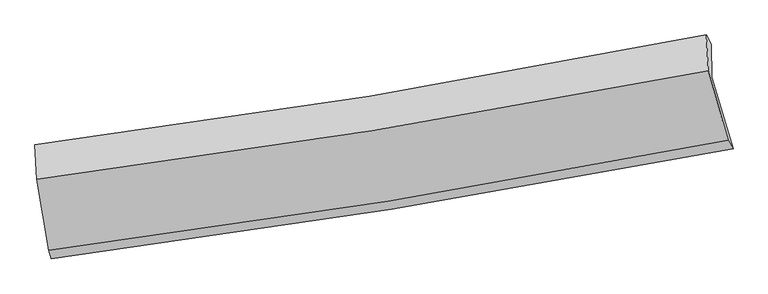
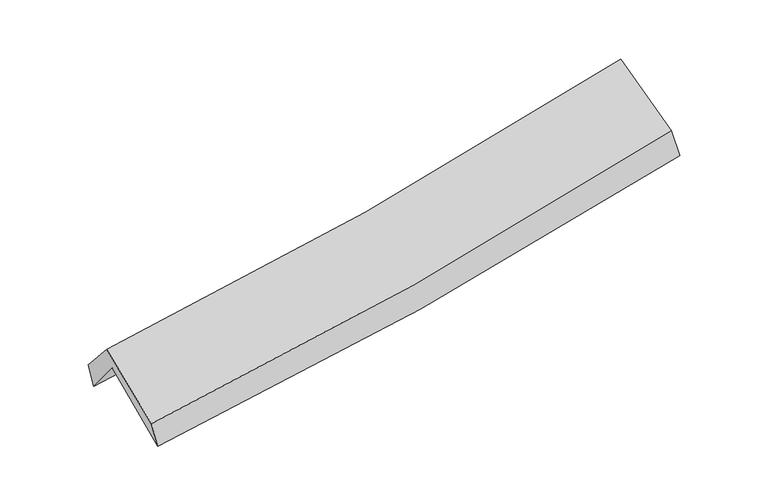
"""IFC4 building model written with IfcOpenShell, lengths in millimetres: proxy geometry."""

from ifc_helpers import new_model, si_unit, frame, origin, place, context, project, spatial, source, transform, mapped, element, save
from ifc_brep_helpers import plane_surface, spline_curve, spline_surface, advanced_brep


def generic_models_6a4d165a(model_context):
    return source(origin(), model_context, "Body", "AdvancedBrep", [
        advanced_brep(
        [(-2313.731132, -2469.5200583, 1508.8965678), (-2401.8043897, -1964.8592867, 1925.4594634), (2341.7355668, -1189.6744283, 2358.267466), (2490.4471361, -1695.9304917, 1924.5392674), (-2412.424454, -1715.3030797, 1613.9879124), (2335.8684646, -957.842994, 2038.5845741), (-2429.0829711, -1666.6228964, 1782.4321894), (2302.2352746, -892.4965555, 2214.8135318), (-2417.2960206, -1909.3323147, 2062.4448374), (2315.4191712, -1144.893767, 2506.252865), (-2331.7853922, -2408.7624823, 1676.1223323), (2454.9318422, -1635.8905711, 2124.8790447)],
        [
            (0, 1),
            (1, 2, spline_curve(3, [(-2401.8043897, -1964.8592867, 1925.4594634), (-1609.756336632, -1862.928078139, 1971.531966858), (-820.968852823, -1747.866246826, 2030.319989003), (760.296455458, -1489.814896484, 2174.256583217), (1552.688957022, -1346.481775289, 2259.73789508), (2341.7355668, -1189.6744283, 2358.267466)], [4, 2, 4], [0.0, 7.915046415991311, 15.932984692530232])),
            (2, 3),
            (3, 0, spline_curve(3, [(2490.4471361, -1695.9304917, 1924.5392674), (1691.360712301, -1850.10967692, 1826.167334224), (888.862053003, -1992.00253977, 1742.213308463), (-712.617717627, -2249.552418538, 1604.033409432), (-1511.511814236, -2365.522744279, 1549.439868364), (-2313.731132, -2469.5200583, 1508.8965678)], [4, 2, 4], [0.0, 8.01793827653892, 15.932984692530232])),
            (1, 4),
            (4, 5, spline_curve(3, [(-2412.424454, -1715.3030797, 1613.9879124), (-1620.941406249, -1612.527482205, 1663.996234027), (-832.047268235, -1498.498778579, 1724.089404522), (750.784784777, -1246.306555341, 1865.357724344), (1544.654952895, -1107.848563513, 1946.796774385), (2335.8684646, -957.842994, 2038.5845741)], [4, 2, 4], [0.0, 7.868390945643248, 15.83906725278198])),
            (5, 2),
            (4, 6),
            (6, 7, spline_curve(3, [(-2429.0829711, -1666.6228964, 1782.4321894), (-1639.02747373, -1567.157524354, 1830.840551043), (-852.248065426, -1453.423647355, 1890.768947161), (724.94374507, -1195.754912607, 2034.594604654), (1515.270418935, -1051.446676093, 2118.793322446), (2302.2352746, -892.4965555, 2214.8135318)], [4, 2, 4], [0.0, 7.858439414845457, 15.8190348259919])),
            (7, 5),
            (6, 8),
            (8, 9, spline_curve(3, [(-2417.2960206, -1909.3323147, 2062.4448374), (-1627.168290401, -1808.241417529, 2109.008752092), (-840.237618788, -1694.486451939, 2168.948934444), (737.417772338, -1440.004996602, 2316.534912932), (1528.058831701, -1298.947112778, 2404.530739719), (2315.4191712, -1144.893767, 2506.252865)], [4, 2, 4], [0.0, 7.848704315407662, 15.799438075427142])),
            (9, 7),
            (8, 10),
            (10, 11, spline_curve(3, [(-2331.7853922, -2408.7624823, 1676.1223323), (-1532.116618684, -2306.489290234, 1723.308535366), (-735.942383064, -2191.445626972, 1783.968952301), (859.721473492, -1934.15583472, 1933.201929244), (1659.119649465, -1791.575527509, 2022.127082989), (2454.9318422, -1635.8905711, 2124.8790447)], [4, 2, 4], [0.0, 7.894172459084293, 15.890965427147265])),
            (11, 9),
            (10, 0),
            (3, 11),
        ],
        [
            spline_surface(3, 3, [[(-2313.731132, -2469.5200583, 1508.8965678), (-1511.511814285, -2365.522744304, 1549.43986836), (-712.61771759, -2249.552418456, 1604.033409318), (888.862052967, -1992.002539853, 1742.213308579), (1691.360712304, -1850.109676864, 1826.167334141), (2490.4471361, -1695.9304917, 1924.5392674)], [(-2343.088884555, -2301.299801068, 1647.750866328), (-1544.259988425, -2197.991188904, 1690.137234536), (-748.734762658, -2082.323694547, 1746.128935917), (846.006853784, -1824.606658777, 1886.227733414), (1645.136793872, -1682.233709658, 1970.690854439), (2440.876613015, -1527.178470552, 2069.115333586)], [(-2372.446637145, -2133.079543932, 1786.605164872), (-1577.008162602, -2030.4596336, 1830.834600727), (-784.851807721, -1915.094970618, 1888.224462525), (803.151654605, -1657.21077768, 2030.242158259), (1598.912875393, -1514.357742497, 2115.214374781), (2391.306089885, -1358.426449448, 2213.691399814)], [(-2401.8043897, -1964.8592867, 1925.4594634), (-1609.756336743, -1862.928078201, 1971.531966903), (-820.968852789, -1747.866246709, 2030.319989124), (760.296455423, -1489.814896603, 2174.256583095), (1552.688956961, -1346.481775291, 2259.737895079), (2341.7355668, -1189.6744283, 2358.267466)]], [4, 4], [4, 2, 4], [0.0, 2.201396346477732], [0.0, 7.915046415991311, 15.932984692530232]),
            spline_surface(3, 3, [[(-2401.8043897, -1964.8592867, 1925.4594634), (-1609.756336743, -1862.928078201, 1971.531966903), (-820.968852789, -1747.866246709, 2030.319989124), (760.296455423, -1489.814896603, 2174.256583095), (1552.688956961, -1346.481775291, 2259.737895079), (2341.7355668, -1189.6744283, 2358.267466)], [(-2405.344411141, -1881.673884386, 1821.635613075), (-1613.484693248, -1779.461212887, 1869.020055952), (-824.661657909, -1664.743757364, 1928.243127609), (757.125898541, -1408.645449464, 2071.290296855), (1550.010955601, -1266.937371371, 2155.424188186), (2339.779866082, -1112.397283546, 2251.706502022)], [(-2408.884432559, -1798.488482014, 1717.811762725), (-1617.213049729, -1695.994347516, 1766.508144976), (-828.354463071, -1581.621268048, 1826.16626605), (753.955341616, -1327.476002355, 1968.324010571), (1547.332954195, -1187.392967411, 2051.110481327), (2337.824165318, -1035.120138754, 2145.145538078)], [(-2412.424454, -1715.3030797, 1613.9879124), (-1620.941406234, -1612.527482202, 1663.996234026), (-832.047268192, -1498.498778702, 1724.089404535), (750.784784733, -1246.306555216, 1865.357724331), (1544.654952835, -1107.848563491, 1946.796774434), (2335.8684646, -957.842994, 2038.5845741)]], [4, 4], [4, 2, 4], [0.0, 1.293439731723573], [0.0, 7.868390945643248, 15.83906725278198]),
            spline_surface(3, 3, [[(-2412.424454, -1715.3030797, 1613.9879124), (-1620.941406234, -1612.527482202, 1663.996234026), (-832.047268192, -1498.498778702, 1724.089404535), (750.784784733, -1246.306555216, 1865.357724331), (1544.654952835, -1107.848563491, 1946.796774434), (2335.8684646, -957.842994, 2038.5845741)], [(-2417.977293016, -1699.076351934, 1670.136004718), (-1626.970095385, -1597.40416296, 1719.61100633), (-838.780867301, -1483.473734959, 1779.649252069), (742.171104892, -1229.4560077, 1921.770017731), (1534.860108174, -1089.047934341, 2004.128957135), (2324.657401247, -936.060847827, 2097.327560016)], [(-2423.530132084, -1682.849624166, 1726.284097082), (-1632.998784587, -1582.280843717, 1775.225778679), (-845.514466432, -1468.448691126, 1835.209099676), (733.557425028, -1212.605460095, 1978.182311204), (1525.065263572, -1070.24730521, 2061.461139791), (2313.446337953, -914.278701673, 2156.070545884)], [(-2429.0829711, -1666.6228964, 1782.4321894), (-1639.027473738, -1567.157524475, 1830.840550983), (-852.248065542, -1453.423647382, 1890.76894721), (724.943745187, -1195.754912579, 2034.594604603), (1515.27041891, -1051.44667606, 2118.793322493), (2302.2352746, -892.4965555, 2214.8135318)]], [4, 4], [4, 2, 4], [0.0, 0.5779938106389989], [0.0, 7.858439414845457, 15.8190348259919]),
            spline_surface(3, 3, [[(-2429.0829711, -1666.6228964, 1782.4321894), (-1639.027473738, -1567.157524475, 1830.840550983), (-852.248065542, -1453.423647382, 1890.76894721), (724.943745187, -1195.754912579, 2034.594604603), (1515.27041891, -1051.44667606, 2118.793322493), (2302.2352746, -892.4965555, 2214.8135318)], [(-2425.153987602, -1747.526035821, 1875.76973873), (-1635.07441259, -1647.518822141, 1923.563284717), (-848.244583325, -1533.77791556, 1983.495609624), (729.101754281, -1277.171607245, 2128.574707384), (1519.533223168, -1133.946821691, 2214.039128286), (2306.629906796, -976.628959353, 2311.95997621)], [(-2421.225004098, -1828.429175279, 1969.10728807), (-1631.121351435, -1727.880119843, 2016.28601846), (-844.241101121, -1614.132183763, 2076.222272027), (733.259763362, -1358.588301935, 2222.554810154), (1523.796027437, -1216.446967261, 2309.284934051), (2311.024539004, -1060.761363147, 2409.10642059)], [(-2417.2960206, -1909.3323147, 2062.4448374), (-1627.168290288, -1808.241417509, 2109.008752193), (-840.237618905, -1694.486451941, 2168.948934441), (737.417772456, -1440.0049966, 2316.534912935), (1528.058831695, -1298.947112892, 2404.530739845), (2315.4191712, -1144.893767, 2506.252865)]], [4, 4], [4, 2, 4], [0.0, 1.2165220036307138], [0.0, 7.848704315407662, 15.799438075427142]),
            spline_surface(3, 3, [[(-2417.2960206, -1909.3323147, 2062.4448374), (-1627.168290288, -1808.241417509, 2109.008752193), (-840.237618905, -1694.486451941, 2168.948934441), (737.417772456, -1440.0049966, 2316.534912935), (1528.058831695, -1298.947112892, 2404.530739845), (2315.4191712, -1144.893767, 2506.252865)], [(-2388.792477801, -2075.809037231, 1933.670669034), (-1595.484399766, -1974.324041734, 1980.442013226), (-805.47254032, -1860.139510248, 2040.622273717), (778.18567281, -1604.721942629, 2188.757251711), (1571.74577094, -1463.156584442, 2277.062854233), (2361.923394864, -1308.559368342, 2379.128258201)], [(-2360.288934999, -2242.285759769, 1804.896500666), (-1563.800509242, -2140.406665968, 1851.875274257), (-770.707461704, -2025.792568627, 1912.295613), (818.953573194, -1769.43888873, 2060.979590493), (1615.432710194, -1627.366056067, 2149.594968717), (2408.427618536, -1472.224969758, 2252.003651499)], [(-2331.7853922, -2408.7624823, 1676.1223323), (-1532.116618721, -2306.489290193, 1723.30853529), (-735.94238312, -2191.445626934, 1783.968952277), (859.721473548, -1934.155834759, 1933.201929269), (1659.119649439, -1791.575527618, 2022.127083105), (2454.9318422, -1635.8905711, 2124.8790447)]], [4, 4], [4, 2, 4], [0.0, 2.090458721401654], [0.0, 7.894172459084293, 15.890965427147265]),
            spline_surface(3, 3, [[(-2331.7853922, -2408.7624823, 1676.1223323), (-1532.116618721, -2306.489290193, 1723.30853529), (-735.94238312, -2191.445626934, 1783.968952277), (859.721473548, -1934.155834759, 1933.201929269), (1659.119649439, -1791.575527618, 2022.127083105), (2454.9318422, -1635.8905711, 2124.8790447)], [(-2325.767305484, -2429.015007661, 1620.380410814), (-1525.248350593, -2326.167108258, 1665.352312994), (-728.167494624, -2210.814557447, 1723.990437969), (869.435000007, -1953.438069796, 1869.539055717), (1669.866670389, -1811.086910713, 1956.807166816), (2466.770273496, -1655.903877979, 2058.099118965)], [(-2319.749218716, -2449.267532939, 1564.638489286), (-1518.380082413, -2345.844926239, 1607.396090656), (-720.392606086, -2230.183487944, 1664.011923626), (879.148526508, -1972.720304816, 1805.87618213), (1680.613691353, -1830.598293769, 1891.48725043), (2478.608704804, -1675.917184821, 1991.319193135)], [(-2313.731132, -2469.5200583, 1508.8965678), (-1511.511814285, -2365.522744304, 1549.43986836), (-712.61771759, -2249.552418456, 1604.033409318), (888.862052967, -1992.002539853, 1742.213308579), (1691.360712304, -1850.109676864, 1826.167334141), (2490.4471361, -1695.9304917, 1924.5392674)]], [4, 4], [4, 2, 4], [0.0, 0.6435288765043261], [0.0, 7.950526254393206, 16.004405590455573]),
            plane_surface(frame((2373.4395759, -1252.7881346, 2194.5561248), z_axis=(0.9755045347837179, 0.18620301145728607, 0.11712959122544728), x_axis=(0.21895620067784882, -0.7705880332588646, -0.5985417823201291))),
            plane_surface(frame((-2384.3540599, -2022.4000197, 1761.5572171), z_axis=(-0.9906666731068384, -0.12084901531439476, -0.06304806335622003), x_axis=(-0.10095494463575923, 0.33974129539751746, 0.9350849968613589))),
        ],
        [
            (0, [[1, 2, 3, 4]]),
            (1, [[5, 6, 7, -2]]),
            (2, [[8, 9, 10, -6]]),
            (3, [[11, 12, 13, -9]]),
            (4, [[14, 15, 16, -12]]),
            (5, [[17, -4, 18, -15]]),
            (6, [[-16, -18, -3, -7, -10, -13]]),
            (7, [[-17, -14, -11, -8, -5, -1]]),
        ],
    ),
    ])


if __name__ == "__main__":
    model = new_model("IFC4")
    model_context = context("Model", 3, world=origin())
    ifc_project = project(units=[si_unit("LENGTHUNIT", "METRE", prefix="MILLI")], contexts=[model_context])
    site = spatial("IfcSite", under=ifc_project)
    building = spatial("IfcBuilding", under=site)
    placement = place(None, origin())
    generic_models_shape = generic_models_6a4d165a(model_context)
    element("IfcBuildingElementProxy", 1, Name="Generic Models", at=placement, inside=building, context=model_context, shape_type="MappedRepresentation", body=[
        mapped(generic_models_shape, transform((0.0, 0.0, 0.0), x_axis=(1.0, 0.0, 0.0), y_axis=(0.0, 1.0, 0.0), z_axis=(0.0, 0.0, 1.0))),
    ])
    save(model, "model.ifc")
